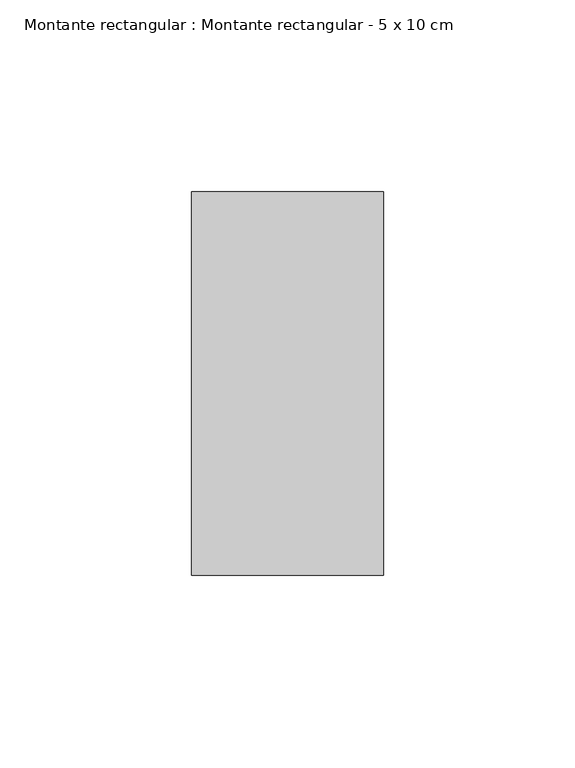
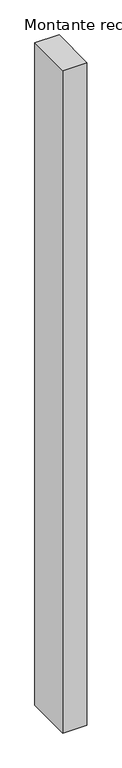
"""IFC4 building model written with IfcOpenShell, lengths in millimetres: member geometry, Montante rectangular : Montante rectangular - 5 x 10 cm."""

from ifc_helpers import new_model, si_unit, frame, origin, place, context, project, spatial, polyline, outline, extrude, source, transform, mapped, element, save


def montante_rectangular_montante_rectangular_5_x_10_cm_c9bf4177(model_context):
    return source(origin(), model_context, "Body", "SweptSolid", [
        extrude(outline(polyline([(0.0, 50.0), (0.0, -50.0), (-50.0, -50.0), (-50.0, 50.0), (0.0, 50.0)])), frame((0.0, 0.0, -1450.0), z_axis=(0.0, 0.0, 1.0), x_axis=(1.0, 0.0, 0.0)), (0.0, 0.0, 1.0), 1450.0),
    ])


if __name__ == "__main__":
    model = new_model("IFC4")
    model_context = context("Model", 3, world=origin())
    ifc_project = project(units=[si_unit("LENGTHUNIT", "METRE", prefix="MILLI")], contexts=[model_context])
    site = spatial("IfcSite", under=ifc_project)
    building = spatial("IfcBuilding", under=site)
    placement = place(None, origin())
    montante_rectangular_montante_rectangular_5_x_10_cm_shape = montante_rectangular_montante_rectangular_5_x_10_cm_c9bf4177(model_context)
    element("IfcMember", 1, ObjectType="Montante rectangular : Montante rectangular - 5 x 10 cm", at=placement, inside=building, context=model_context, shape_type="MappedRepresentation", body=[
        mapped(montante_rectangular_montante_rectangular_5_x_10_cm_shape, transform((0.0, 0.0, 0.0), x_axis=(1.0, 0.0, 0.0), y_axis=(0.0, 1.0, 0.0), z_axis=(0.0, 0.0, 1.0))),
    ])
    save(model, "model.ifc")
